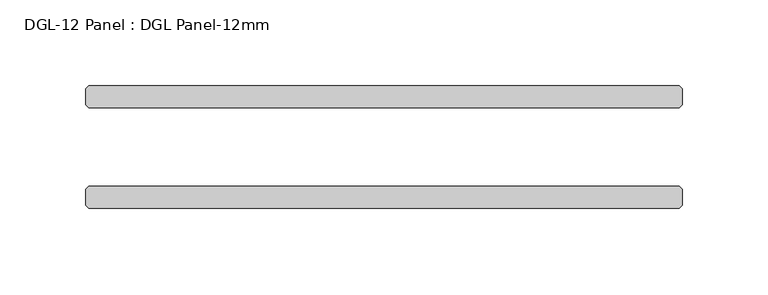
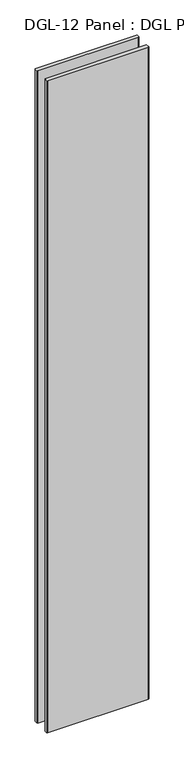
"""IFC4 building model written with IfcOpenShell, lengths in millimetres: plate geometry, DGL-12 Panel : DGL Panel-12mm."""

from ifc_helpers import new_model, si_unit, origin, origin_with_axes, place, context, project, spatial, polyline, outline, extrude, source, transform, mapped, element, save


def dgl_12_panel_dgl_panel_12mm_4ee91d05(model_context):
    return source(origin(), model_context, "Body", "SweptSolid", [
        extrude(outline(polyline([(172.0470787, -22.9195313), (173.6345787, -24.5070313), (173.6345787, -34.0320313), (172.0470787, -35.6195313), (-172.0470787, -35.6195313), (-173.6345787, -34.0320313), (-173.6345787, -24.5070313), (-172.0470787, -22.9195313), (172.0470787, -22.9195313)])), origin_with_axes(), (0.0, 0.0, 1.0), 2339.4622278),
        extrude(outline(polyline([(172.0470787, 35.6195312), (173.6345787, 34.0320312), (173.6345787, 24.5070312), (172.0470787, 22.9195312), (-172.0470787, 22.9195312), (-173.6345787, 24.5070312), (-173.6345787, 34.0320312), (-172.0470787, 35.6195312), (172.0470787, 35.6195312)])), origin_with_axes(), (0.0, 0.0, 1.0), 2339.4622278),
    ])


if __name__ == "__main__":
    model = new_model("IFC4")
    model_context = context("Model", 3, world=origin())
    ifc_project = project(units=[si_unit("LENGTHUNIT", "METRE", prefix="MILLI")], contexts=[model_context])
    site = spatial("IfcSite", under=ifc_project)
    building = spatial("IfcBuilding", under=site)
    placement = place(None, origin())
    dgl_12_panel_dgl_panel_12mm_shape = dgl_12_panel_dgl_panel_12mm_4ee91d05(model_context)
    element("IfcPlate", 1, ObjectType="DGL-12 Panel : DGL Panel-12mm", at=placement, inside=building, context=model_context, shape_type="MappedRepresentation", body=[
        mapped(dgl_12_panel_dgl_panel_12mm_shape, transform((0.0, 0.0, 0.0), x_axis=(1.0, 0.0, 0.0), y_axis=(0.0, 1.0, 0.0), z_axis=(0.0, 0.0, 1.0))),
    ])
    save(model, "model.ifc")
